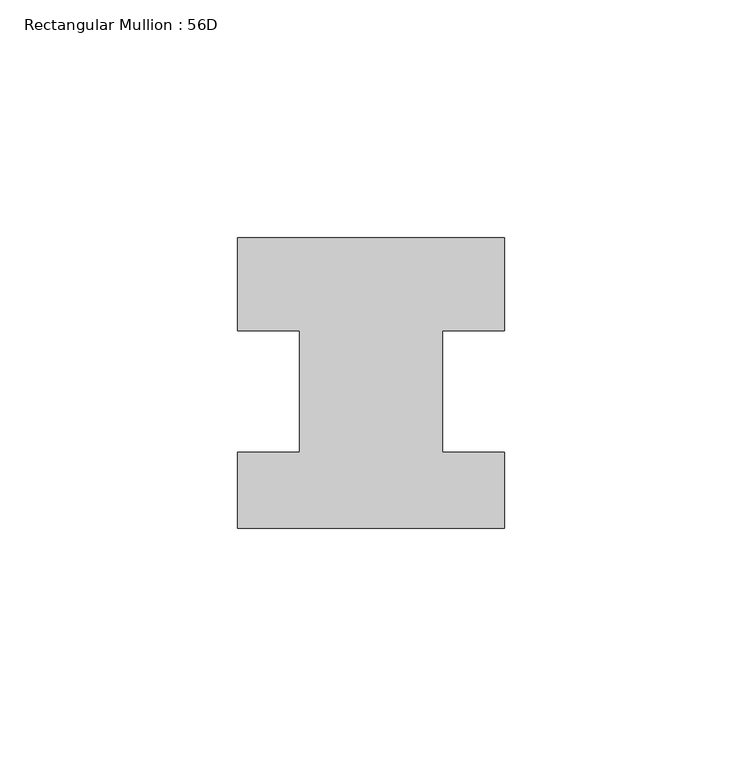
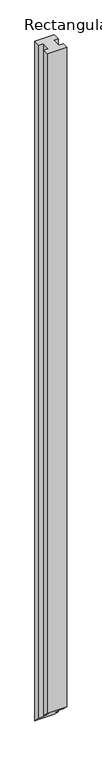
"""IFC4 building model written with IfcOpenShell, lengths in millimetres: member geometry, Rectangular Mullion : 56D."""

from ifc_helpers import new_model, si_unit, origin, place, context, project, spatial, faceted_brep, source, transform, mapped, element, save


def rectangular_mullion_56d_0d9c110f(model_context):
    return source(origin(), model_context, "Body", "Brep", [
        faceted_brep([(0.0, 20.0, 0.0), (-56.0, 20.0, 0.0), (-56.0, 0.5, 0.0), (-43.0, 0.5, 0.0), (-43.0, -25.0, 0.0), (-56.0, -25.0, 0.0), (-56.0, -41.0, 0.0), (0.0, -41.0, 0.0), (0.0, -25.0, 0.0), (-13.0, -25.0, 0.0), (-13.0, 0.5, 0.0), (0.0, 0.5, 0.0), (0.0, 20.0, -2064.0), (-56.0, 20.0, -2064.0), (-56.0, 0.5, -2044.5), (-43.0, 0.5, -2044.5), (-43.0, -25.0, -2019.0), (-56.0, -25.0, -2019.0), (-56.0, -41.0, -2003.0), (0.0, -41.0, -2003.0), (0.0, -25.0, -2019.0), (-13.0, -25.0, -2019.0), (-13.0, 0.5, -2044.5), (0.0, 0.5, -2044.5)], [[[0, 1, 2, 3, 4, 5, 6, 7, 8, 9, 10, 11]], [[1, 0, 12, 13]], [[2, 1, 13, 14]], [[3, 2, 14, 15]], [[4, 3, 15, 16]], [[5, 4, 16, 17]], [[6, 5, 17, 18]], [[7, 6, 18, 19]], [[8, 7, 19, 20]], [[9, 8, 20, 21]], [[10, 9, 21, 22]], [[11, 10, 22, 23]], [[0, 11, 23, 12]], [[12, 23, 22, 21, 20, 19, 18, 17, 16, 15, 14, 13]]]),
    ])


if __name__ == "__main__":
    model = new_model("IFC4")
    model_context = context("Model", 3, world=origin())
    ifc_project = project(units=[si_unit("LENGTHUNIT", "METRE", prefix="MILLI")], contexts=[model_context])
    site = spatial("IfcSite", under=ifc_project)
    building = spatial("IfcBuilding", under=site)
    placement = place(None, origin())
    rectangular_mullion_56d_shape = rectangular_mullion_56d_0d9c110f(model_context)
    element("IfcMember", 1, ObjectType="Rectangular Mullion : 56D", at=placement, inside=building, context=model_context, shape_type="MappedRepresentation", body=[
        mapped(rectangular_mullion_56d_shape, transform((0.0, 0.0, 0.0), x_axis=(1.0, 0.0, 0.0), y_axis=(0.0, 1.0, 0.0), z_axis=(0.0, 0.0, 1.0))),
    ])
    save(model, "model.ifc")
